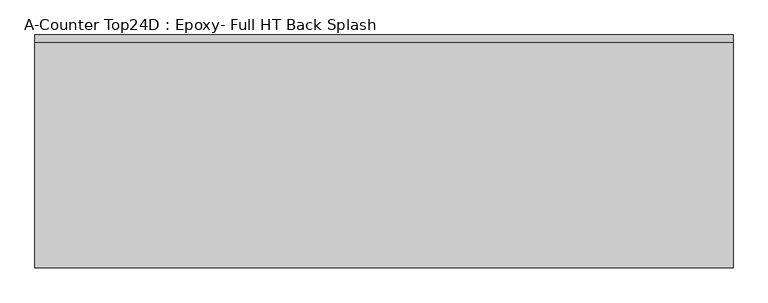
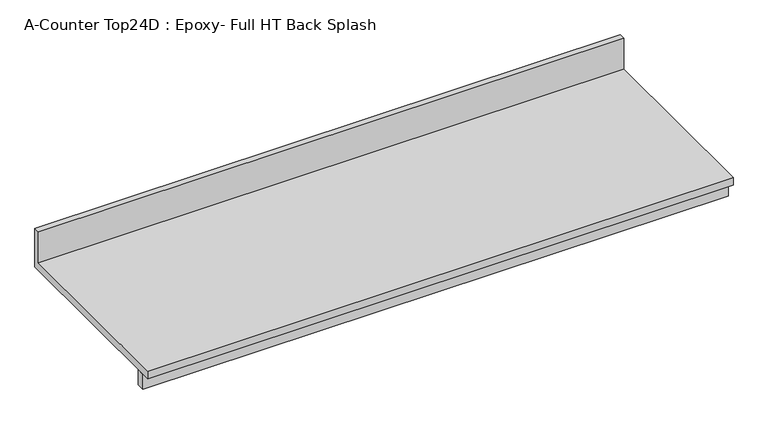
"""IFC4 building model written with IfcOpenShell, lengths in millimetres: furniture geometry, A-Counter Top24D : Epoxy- Full HT Back Splash."""

from ifc_helpers import new_model, si_unit, frame, origin, place, context, project, spatial, polyline, outline, extrude, source, transform, mapped, element, save


def a_counter_top24d_epoxy_full_ht_back_splash_4d87ee63(model_context):
    return source(origin(), model_context, "Body", "SweptSolid", [
        extrude(outline(polyline([(0.0, 1041.4), (0.0, 914.4), (-609.6, 914.4), (-609.6, 939.8), (-19.05, 939.8), (-19.05, 1041.4), (0.0, 1041.4)])), frame((-1327.4622951, 0.0, 0.0), z_axis=(1.0, 0.0, 0.0), x_axis=(0.0, 1.0, 0.0)), (0.0, 0.0, 1.0), 1828.8),
        extrude(outline(polyline([(501.3377049, -558.8), (501.3377049, -584.2), (-1327.4622951, -584.2), (-1327.4622951, -558.8), (501.3377049, -558.8)])), frame((0.0, 0.0, 863.6), z_axis=(0.0, 0.0, 1.0), x_axis=(1.0, 0.0, 0.0)), (0.0, 0.0, 1.0), 50.8),
    ])


if __name__ == "__main__":
    model = new_model("IFC4")
    model_context = context("Model", 3, world=origin())
    ifc_project = project(units=[si_unit("LENGTHUNIT", "METRE", prefix="MILLI")], contexts=[model_context])
    site = spatial("IfcSite", under=ifc_project)
    building = spatial("IfcBuilding", under=site)
    placement = place(None, origin())
    a_counter_top24d_epoxy_full_ht_back_splash_shape = a_counter_top24d_epoxy_full_ht_back_splash_4d87ee63(model_context)
    element("IfcFurniture", 1, ObjectType="A-Counter Top24D : Epoxy- Full HT Back Splash", at=placement, inside=building, context=model_context, shape_type="MappedRepresentation", body=[
        mapped(a_counter_top24d_epoxy_full_ht_back_splash_shape, transform((0.0, 0.0, 0.0), x_axis=(1.0, 0.0, 0.0), y_axis=(0.0, 1.0, 0.0), z_axis=(0.0, 0.0, 1.0))),
    ])
    save(model, "model.ifc")
